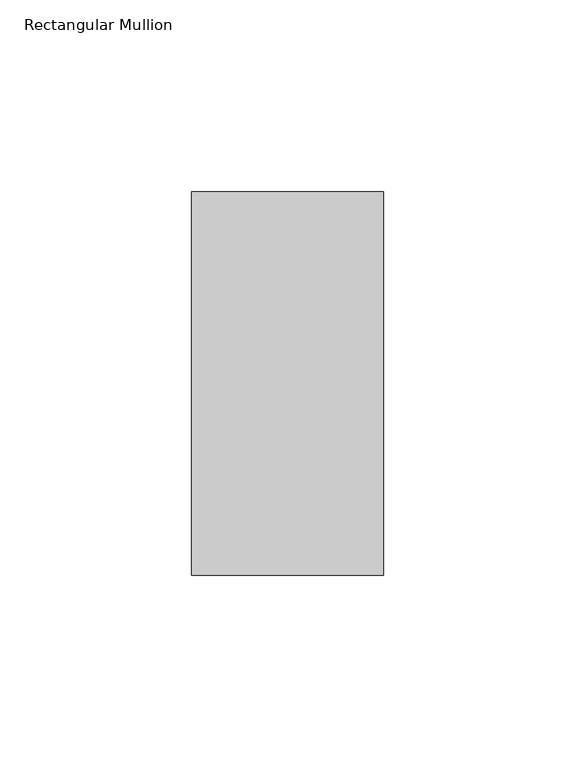
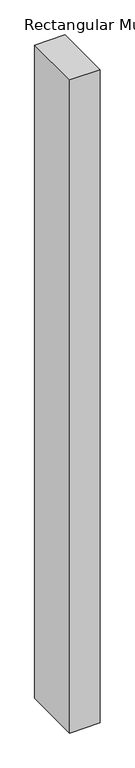
"""IFC4 building model written with IfcOpenShell, lengths in millimetres: member geometry, Rectangular Mullion."""

from ifc_helpers import new_model, si_unit, frame, origin, place, context, project, spatial, polyline, outline, extrude, source, transform, mapped, element, save


def rectangular_mullion_5656cf4c(model_context):
    return source(origin(), model_context, "Body", "SweptSolid", [
        extrude(outline(polyline([(25.0, 31.0), (25.0, -69.0), (-25.0, -69.0), (-25.0, 31.0), (25.0, 31.0)])), frame((0.0, 0.0, -1140.0), z_axis=(0.0, 0.0, 1.0), x_axis=(1.0, 0.0, 0.0)), (0.0, 0.0, 1.0), 1140.0),
    ])


if __name__ == "__main__":
    model = new_model("IFC4")
    model_context = context("Model", 3, world=origin())
    ifc_project = project(units=[si_unit("LENGTHUNIT", "METRE", prefix="MILLI")], contexts=[model_context])
    site = spatial("IfcSite", under=ifc_project)
    building = spatial("IfcBuilding", under=site)
    placement = place(None, origin())
    rectangular_mullion_shape = rectangular_mullion_5656cf4c(model_context)
    element("IfcMember", 1, ObjectType="Rectangular Mullion", at=placement, inside=building, context=model_context, shape_type="MappedRepresentation", body=[
        mapped(rectangular_mullion_shape, transform((0.0, 0.0, 0.0), x_axis=(1.0, 0.0, 0.0), y_axis=(0.0, 1.0, 0.0), z_axis=(0.0, 0.0, 1.0))),
    ])
    save(model, "model.ifc")
